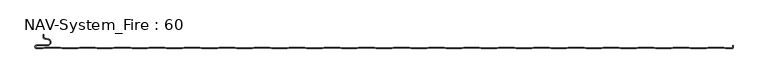
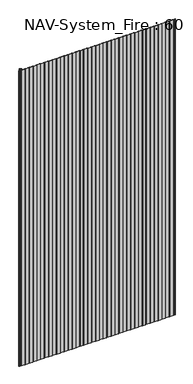
"""IFC4 building model written with IfcOpenShell, lengths in millimetres: plate geometry, NAV-System_Fire : 60."""

from ifc_helpers import new_model, si_unit, frame, origin, place, context, project, spatial, polyline, circle_curve, source, transform, mapped, element, save
from ifc_brep_helpers import plane_surface, cylinder_surface, revolved_surface, advanced_brep


def nav_system_fire_60_c45ef32b(model_context):
    return source(origin(), model_context, "Body", "AdvancedBrep", [
        advanced_brep(
        [(-488.8798221, -60.8, 2000.0), (-497.2500001, -60.8, 2000.0), (-497.2500001, -57.4000001, 2000.0), (-481.8502086, -57.4000001, 2000.0), (-480.9923864, -47.5950498, 2000.0), (-485.8625665, -46.7363054, 2000.0), (-487.3500004, -44.9636506, 2000.0), (-487.3500014, -41.6578709, 2000.0), (-488.1500014, -41.6578709, 2000.0), (-488.1500014, -44.9636516, 2000.0), (-486.0014853, -47.5241512, 2000.0), (-481.1313015, -48.382896, 2000.0), (-481.850205, -56.6000001, 2000.0), (-497.2500001, -56.6000001, 2000.0), (-497.2500001, -61.6, 2000.0), (-488.75, -61.6, 2000.0), (-485.75, -60.6, 2000.0), (-463.75, -60.6, 2000.0), (-460.75, -61.6, 2000.0), (-438.75, -61.6, 2000.0), (-435.75, -60.6, 2000.0), (-413.75, -60.6, 2000.0), (-410.75, -61.6, 2000.0), (-388.75, -61.6, 2000.0), (-385.75, -60.6, 2000.0), (-363.75, -60.6, 2000.0), (-360.75, -61.6, 2000.0), (-338.75, -61.6, 2000.0), (-335.75, -60.6, 2000.0), (-313.75, -60.6, 2000.0), (-310.75, -61.6, 2000.0), (-288.75, -61.6, 2000.0), (-285.75, -60.6, 2000.0), (-263.75, -60.6, 2000.0), (-260.75, -61.6, 2000.0), (-238.75, -61.6, 2000.0), (-235.75, -60.6, 2000.0), (-213.75, -60.6, 2000.0), (-210.75, -61.6, 2000.0), (-188.75, -61.6, 2000.0), (-185.75, -60.6, 2000.0), (-163.75, -60.6, 2000.0), (-160.75, -61.6, 2000.0), (-138.75, -61.6, 2000.0), (-135.75, -60.6, 2000.0), (-113.75, -60.6, 2000.0), (-110.75, -61.6, 2000.0), (-88.75, -61.6, 2000.0), (-85.75, -60.6, 2000.0), (-63.75, -60.6, 2000.0), (-60.75, -61.6, 2000.0), (-38.75, -61.6, 2000.0), (-35.75, -60.6, 2000.0), (-13.75, -60.6, 2000.0), (-10.75, -61.6, 2000.0), (11.25, -61.6, 2000.0), (14.25, -60.6, 2000.0), (36.25, -60.6, 2000.0), (39.25, -61.6, 2000.0), (61.25, -61.6, 2000.0), (64.25, -60.6, 2000.0), (86.25, -60.6, 2000.0), (89.25, -61.6, 2000.0), (111.25, -61.6, 2000.0), (114.25, -60.6, 2000.0), (136.25, -60.6, 2000.0), (139.25, -61.6, 2000.0), (161.25, -61.6, 2000.0), (164.25, -60.6, 2000.0), (186.25, -60.6, 2000.0), (189.25, -61.6, 2000.0), (211.25, -61.6, 2000.0), (214.25, -60.6, 2000.0), (236.25, -60.6, 2000.0), (239.25, -61.6, 2000.0), (261.25, -61.6, 2000.0), (264.25, -60.6, 2000.0), (286.25, -60.6, 2000.0), (289.25, -61.6, 2000.0), (311.25, -61.6, 2000.0), (314.25, -60.6, 2000.0), (336.25, -60.6, 2000.0), (339.25, -61.6, 2000.0), (361.25, -61.6, 2000.0), (364.25, -60.6, 2000.0), (386.25, -60.6, 2000.0), (389.25, -61.6, 2000.0), (411.25, -61.6, 2000.0), (414.25, -60.6, 2000.0), (436.25, -60.6, 2000.0), (439.25, -61.6, 2000.0), (461.25, -61.6, 2000.0), (464.25, -60.6, 2000.0), (486.25, -60.6, 2000.0), (489.25, -61.6, 2000.0), (498.2500007, -61.6, 2000.0), (499.75, -60.9228766, 2000.0), (499.75, -56.9390429, 2000.0), (499.4499998, -58.1999953, 2000.0), (499.4499998, -59.5978602, 2000.0), (498.2500017, -60.7999998, 2000.0), (489.3798221, -60.8, 2000.0), (486.3798221, -59.8, 2000.0), (464.1201779, -59.8, 2000.0), (461.1201779, -60.8, 2000.0), (439.3798221, -60.8, 2000.0), (436.3798221, -59.8, 2000.0), (414.1201779, -59.8, 2000.0), (411.1201779, -60.8, 2000.0), (389.3798221, -60.8, 2000.0), (386.3798221, -59.8, 2000.0), (364.1201779, -59.8, 2000.0), (361.1201779, -60.8, 2000.0), (339.3798221, -60.8, 2000.0), (336.3798221, -59.8, 2000.0), (314.1201779, -59.8, 2000.0), (311.1201779, -60.8, 2000.0), (289.3798221, -60.8, 2000.0), (286.3798221, -59.8, 2000.0), (264.1201779, -59.8, 2000.0), (261.1201779, -60.8, 2000.0), (239.3798221, -60.8, 2000.0), (236.3798221, -59.8, 2000.0), (214.1201779, -59.8, 2000.0), (211.1201779, -60.8, 2000.0), (189.3798221, -60.8, 2000.0), (186.3798221, -59.8, 2000.0), (164.1201779, -59.8, 2000.0), (161.1201779, -60.8, 2000.0), (139.3798221, -60.8, 2000.0), (136.3798221, -59.8, 2000.0), (114.1201779, -59.8, 2000.0), (111.1201779, -60.8, 2000.0), (89.3798221, -60.8, 2000.0), (86.3798221, -59.8, 2000.0), (64.1201779, -59.8, 2000.0), (61.1201779, -60.8, 2000.0), (39.3798221, -60.8, 2000.0), (36.3798221, -59.8, 2000.0), (14.1201779, -59.8, 2000.0), (11.1201779, -60.8, 2000.0), (-10.6201779, -60.8, 2000.0), (-13.6201779, -59.8, 2000.0), (-35.8798221, -59.8, 2000.0), (-38.8798221, -60.8, 2000.0), (-60.6201779, -60.8, 2000.0), (-63.6201779, -59.8, 2000.0), (-85.8798221, -59.8, 2000.0), (-88.8798221, -60.8, 2000.0), (-110.6201779, -60.8, 2000.0), (-113.6201779, -59.8, 2000.0), (-135.8798221, -59.8, 2000.0), (-138.8798221, -60.8, 2000.0), (-160.6201779, -60.8, 2000.0), (-163.6201779, -59.8, 2000.0), (-185.8798221, -59.8, 2000.0), (-188.8798221, -60.8, 2000.0), (-210.6201779, -60.8, 2000.0), (-213.6201779, -59.8, 2000.0), (-235.8798221, -59.8, 2000.0), (-238.8798221, -60.8, 2000.0), (-260.6201779, -60.8, 2000.0), (-263.6201779, -59.8, 2000.0), (-285.8798221, -59.8, 2000.0), (-288.8798221, -60.8, 2000.0), (-310.6201779, -60.8, 2000.0), (-313.6201779, -59.8, 2000.0), (-335.8798221, -59.8, 2000.0), (-338.8798221, -60.8, 2000.0), (-360.6201779, -60.8, 2000.0), (-363.6201779, -59.8, 2000.0), (-385.8798221, -59.8, 2000.0), (-388.8798221, -60.8, 2000.0), (-410.6201779, -60.8, 2000.0), (-413.6201779, -59.8, 2000.0), (-435.8798221, -59.8, 2000.0), (-438.8798221, -60.8, 2000.0), (-460.6201779, -60.8, 2000.0), (-463.6201779, -59.8, 2000.0), (-485.8798221, -59.8, 2000.0), (-488.8798221, -60.8, 0.0), (-485.8798221, -59.8, 0.0), (-463.6201779, -59.8, 0.0), (-460.6201779, -60.8, 0.0), (-438.8798221, -60.8, 0.0), (-435.8798221, -59.8, 0.0), (-413.6201779, -59.8, 0.0), (-410.6201779, -60.8, 0.0), (-388.8798221, -60.8, 0.0), (-385.8798221, -59.8, 0.0), (-363.6201779, -59.8, 0.0), (-360.6201779, -60.8, 0.0), (-338.8798221, -60.8, 0.0), (-335.8798221, -59.8, 0.0), (-313.6201779, -59.8, 0.0), (-310.6201779, -60.8, 0.0), (-288.8798221, -60.8, 0.0), (-285.8798221, -59.8, 0.0), (-263.6201779, -59.8, 0.0), (-260.6201779, -60.8, 0.0), (-238.8798221, -60.8, 0.0), (-235.8798221, -59.8, 0.0), (-213.6201779, -59.8, 0.0), (-210.6201779, -60.8, 0.0), (-188.8798221, -60.8, 0.0), (-185.8798221, -59.8, 0.0), (-163.6201779, -59.8, 0.0), (-160.6201779, -60.8, 0.0), (-138.8798221, -60.8, 0.0), (-135.8798221, -59.8, 0.0), (-113.6201779, -59.8, 0.0), (-110.6201779, -60.8, 0.0), (-88.8798221, -60.8, 0.0), (-85.8798221, -59.8, 0.0), (-63.6201779, -59.8, 0.0), (-60.6201779, -60.8, 0.0), (-38.8798221, -60.8, 0.0), (-35.8798221, -59.8, 0.0), (-13.6201779, -59.8, 0.0), (-10.6201779, -60.8, 0.0), (11.1201779, -60.8, 0.0), (14.1201779, -59.8, 0.0), (36.3798221, -59.8, 0.0), (39.3798221, -60.8, 0.0), (61.1201779, -60.8, 0.0), (64.1201779, -59.8, 0.0), (86.3798221, -59.8, 0.0), (89.3798221, -60.8, 0.0), (111.1201779, -60.8, 0.0), (114.1201779, -59.8, 0.0), (136.3798221, -59.8, 0.0), (139.3798221, -60.8, 0.0), (161.1201779, -60.8, 0.0), (164.1201779, -59.8, 0.0), (186.3798221, -59.8, 0.0), (189.3798221, -60.8, 0.0), (211.1201779, -60.8, 0.0), (214.1201779, -59.8, 0.0), (236.3798221, -59.8, 0.0), (239.3798221, -60.8, 0.0), (261.1201779, -60.8, 0.0), (264.1201779, -59.8, 0.0), (286.3798221, -59.8, 0.0), (289.3798221, -60.8, 0.0), (311.1201779, -60.8, 0.0), (314.1201779, -59.8, 0.0), (336.3798221, -59.8, 0.0), (339.3798221, -60.8, 0.0), (361.1201779, -60.8, 0.0), (364.1201779, -59.8, 0.0), (386.3798221, -59.8, 0.0), (389.3798221, -60.8, 0.0), (411.1201779, -60.8, 0.0), (414.1201779, -59.8, 0.0), (436.3798221, -59.8, 0.0), (439.3798221, -60.8, 0.0), (461.1201779, -60.8, 0.0), (464.1201779, -59.8, 0.0), (486.3798221, -59.8, 0.0), (489.3798221, -60.8, 0.0), (498.2500017, -60.8, 0.0), (499.4499998, -59.5978602, 0.0), (499.4499998, -58.1999953, 0.0), (499.75, -56.9390429, 0.0), (499.75, -60.9228766, 0.0), (498.2500007, -61.6, 0.0), (489.25, -61.6, 0.0), (486.25, -60.6, 0.0), (464.25, -60.6, 0.0), (461.25, -61.6, 0.0), (439.25, -61.6, 0.0), (436.25, -60.6, 0.0), (414.25, -60.6, 0.0), (411.25, -61.6, 0.0), (389.25, -61.6, 0.0), (386.25, -60.6, 0.0), (364.25, -60.6, 0.0), (361.25, -61.6, 0.0), (339.25, -61.6, 0.0), (336.25, -60.6, 0.0), (314.25, -60.6, 0.0), (311.25, -61.6, 0.0), (289.25, -61.6, 0.0), (286.25, -60.6, 0.0), (264.25, -60.6, 0.0), (261.25, -61.6, 0.0), (239.25, -61.6, 0.0), (236.25, -60.6, 0.0), (214.25, -60.6, 0.0), (211.25, -61.6, 0.0), (189.25, -61.6, 0.0), (186.25, -60.6, 0.0), (164.25, -60.6, 0.0), (161.25, -61.6, 0.0), (139.25, -61.6, 0.0), (136.25, -60.6, 0.0), (114.25, -60.6, 0.0), (111.25, -61.6, 0.0), (89.25, -61.6, 0.0), (86.25, -60.6, 0.0), (64.25, -60.6, 0.0), (61.25, -61.6, 0.0), (39.25, -61.6, 0.0), (36.25, -60.6, 0.0), (14.25, -60.6, 0.0), (11.25, -61.6, 0.0), (-10.75, -61.6, 0.0), (-13.75, -60.6, 0.0), (-35.75, -60.6, 0.0), (-38.75, -61.6, 0.0), (-60.75, -61.6, 0.0), (-63.75, -60.6, 0.0), (-85.75, -60.6, 0.0), (-88.75, -61.6, 0.0), (-110.75, -61.6, 0.0), (-113.75, -60.6, 0.0), (-135.75, -60.6, 0.0), (-138.75, -61.6, 0.0), (-160.75, -61.6, 0.0), (-163.75, -60.6, 0.0), (-185.75, -60.6, 0.0), (-188.75, -61.6, 0.0), (-210.75, -61.6, 0.0), (-213.75, -60.6, 0.0), (-235.75, -60.6, 0.0), (-238.75, -61.6, 0.0), (-260.75, -61.6, 0.0), (-263.75, -60.6, 0.0), (-285.75, -60.6, 0.0), (-288.75, -61.6, 0.0), (-310.75, -61.6, 0.0), (-313.75, -60.6, 0.0), (-335.75, -60.6, 0.0), (-338.75, -61.6, 0.0), (-360.75, -61.6, 0.0), (-363.75, -60.6, 0.0), (-385.75, -60.6, 0.0), (-388.75, -61.6, 0.0), (-410.75, -61.6, 0.0), (-413.75, -60.6, 0.0), (-435.75, -60.6, 0.0), (-438.75, -61.6, 0.0), (-460.75, -61.6, 0.0), (-463.75, -60.6, 0.0), (-485.75, -60.6, 0.0), (-488.75, -61.6, 0.0), (-497.2500001, -61.6, 0.0), (-497.2500001, -56.6000001, 0.0), (-481.850205, -56.6000001, 0.0), (-481.1313015, -48.382896, 0.0), (-486.0014853, -47.5241512, 0.0), (-488.1499997, -44.9636516, 0.0), (-488.1500014, -41.6578709, 0.0), (-487.3500014, -41.6578709, 0.0), (-487.3500014, -44.9636506, 0.0), (-485.8625665, -46.7363054, 0.0), (-480.9923864, -47.5950498, 0.0), (-481.8502086, -57.4000001, 0.0), (-497.2500001, -57.4000001, 0.0), (-497.2500001, -60.7999998, 0.0)],
        [
            (0, 1),
            (1, 2, circle_curve(frame((-497.2500001, -59.1, 2000.0), z_axis=(0.0, 0.0, -1.0), x_axis=(1.0, 0.0, 0.0)), 1.6999999)),
            (2, 3),
            (3, 4, circle_curve(frame((-481.8502086, -52.4600001, 2000.0), z_axis=(0.0, 0.0, 1.0), x_axis=(1.0, 0.0, 0.0)), 4.94)),
            (4, 5),
            (5, 6, circle_curve(frame((-485.5499995, -44.9636506, 2000.0), z_axis=(0.0, 0.0, -1.0), x_axis=(1.0, 0.0, 0.0)), 1.8000009)),
            (6, 7),
            (7, 8),
            (8, 9),
            (9, 10, circle_curve(frame((-485.5500002, -44.9636516, 2000.0), z_axis=(0.0, 0.0, 1.0), x_axis=(1.0, 0.0, 0.0)), 2.5999995)),
            (10, 11),
            (11, 12, circle_curve(frame((-481.850205, -52.4600001, 2000.0), z_axis=(0.0, 0.0, -1.0), x_axis=(1.0, 0.0, 0.0)), 4.14)),
            (12, 13),
            (13, 14, circle_curve(frame((-497.2500001, -59.1000001, 2000.0), z_axis=(0.0, 0.0, 1.0), x_axis=(1.0, 0.0, 0.0)), 2.4999999)),
            (14, 15),
            (15, 16),
            (16, 17),
            (17, 18),
            (18, 19),
            (19, 20),
            (20, 21),
            (21, 22),
            (22, 23),
            (23, 24),
            (24, 25),
            (25, 26),
            (26, 27),
            (27, 28),
            (28, 29),
            (29, 30),
            (30, 31),
            (31, 32),
            (32, 33),
            (33, 34),
            (34, 35),
            (35, 36),
            (36, 37),
            (37, 38),
            (38, 39),
            (39, 40),
            (40, 41),
            (41, 42),
            (42, 43),
            (43, 44),
            (44, 45),
            (45, 46),
            (46, 47),
            (47, 48),
            (48, 49),
            (49, 50),
            (50, 51),
            (51, 52),
            (52, 53),
            (53, 54),
            (54, 55),
            (55, 56),
            (56, 57),
            (57, 58),
            (58, 59),
            (59, 60),
            (60, 61),
            (61, 62),
            (62, 63),
            (63, 64),
            (64, 65),
            (65, 66),
            (66, 67),
            (67, 68),
            (68, 69),
            (69, 70),
            (70, 71),
            (71, 72),
            (72, 73),
            (73, 74),
            (74, 75),
            (75, 76),
            (76, 77),
            (77, 78),
            (78, 79),
            (79, 80),
            (80, 81),
            (81, 82),
            (82, 83),
            (83, 84),
            (84, 85),
            (85, 86),
            (86, 87),
            (87, 88),
            (88, 89),
            (89, 90),
            (90, 91),
            (91, 92),
            (92, 93),
            (93, 94),
            (94, 95),
            (95, 96, circle_curve(frame((498.2500007, -59.5999998, 2000.0), z_axis=(0.0, 0.0, 1.0), x_axis=(1.0, 0.0, 0.0)), 2.0000002)),
            (96, 97),
            (97, 98, circle_curve(frame((502.2499995, -58.1999953, 2000.0), z_axis=(0.0, 0.0, 1.0), x_axis=(1.0, 0.0, 0.0)), 2.7999997)),
            (98, 99),
            (99, 100, circle_curve(frame((498.2500017, -59.5999998, 2000.0), z_axis=(0.0, 0.0, -1.0), x_axis=(1.0, 0.0, 0.0)), 1.2)),
            (100, 101),
            (101, 102),
            (102, 103),
            (103, 104),
            (104, 105),
            (105, 106),
            (106, 107),
            (107, 108),
            (108, 109),
            (109, 110),
            (110, 111),
            (111, 112),
            (112, 113),
            (113, 114),
            (114, 115),
            (115, 116),
            (116, 117),
            (117, 118),
            (118, 119),
            (119, 120),
            (120, 121),
            (121, 122),
            (122, 123),
            (123, 124),
            (124, 125),
            (125, 126),
            (126, 127),
            (127, 128),
            (128, 129),
            (129, 130),
            (130, 131),
            (131, 132),
            (132, 133),
            (133, 134),
            (134, 135),
            (135, 136),
            (136, 137),
            (137, 138),
            (138, 139),
            (139, 140),
            (140, 141),
            (141, 142),
            (142, 143),
            (143, 144),
            (144, 145),
            (145, 146),
            (146, 147),
            (147, 148),
            (148, 149),
            (149, 150),
            (150, 151),
            (151, 152),
            (152, 153),
            (153, 154),
            (154, 155),
            (155, 156),
            (156, 157),
            (157, 158),
            (158, 159),
            (159, 160),
            (160, 161),
            (161, 162),
            (162, 163),
            (163, 164),
            (164, 165),
            (165, 166),
            (166, 167),
            (167, 168),
            (168, 169),
            (169, 170),
            (170, 171),
            (171, 172),
            (172, 173),
            (173, 174),
            (174, 175),
            (175, 176),
            (176, 177),
            (177, 178),
            (178, 179),
            (179, 0),
            (180, 181),
            (181, 182),
            (182, 183),
            (183, 184),
            (184, 185),
            (185, 186),
            (186, 187),
            (187, 188),
            (188, 189),
            (189, 190),
            (190, 191),
            (191, 192),
            (192, 193),
            (193, 194),
            (194, 195),
            (195, 196),
            (196, 197),
            (197, 198),
            (198, 199),
            (199, 200),
            (200, 201),
            (201, 202),
            (202, 203),
            (203, 204),
            (204, 205),
            (205, 206),
            (206, 207),
            (207, 208),
            (208, 209),
            (209, 210),
            (210, 211),
            (211, 212),
            (212, 213),
            (213, 214),
            (214, 215),
            (215, 216),
            (216, 217),
            (217, 218),
            (218, 219),
            (219, 220),
            (220, 221),
            (221, 222),
            (222, 223),
            (223, 224),
            (224, 225),
            (225, 226),
            (226, 227),
            (227, 228),
            (228, 229),
            (229, 230),
            (230, 231),
            (231, 232),
            (232, 233),
            (233, 234),
            (234, 235),
            (235, 236),
            (236, 237),
            (237, 238),
            (238, 239),
            (239, 240),
            (240, 241),
            (241, 242),
            (242, 243),
            (243, 244),
            (244, 245),
            (245, 246),
            (246, 247),
            (247, 248),
            (248, 249),
            (249, 250),
            (250, 251),
            (251, 252),
            (252, 253),
            (253, 254),
            (254, 255),
            (255, 256),
            (256, 257),
            (257, 258),
            (258, 259),
            (259, 260),
            (260, 261, circle_curve(frame((498.2500017, -59.5999998, 0.0), z_axis=(0.0, 0.0, 1.0), x_axis=(1.0, 0.0, 0.0)), 1.2)),
            (261, 262),
            (262, 263, circle_curve(frame((502.2499995, -58.1999953, 0.0), z_axis=(0.0, 0.0, -1.0), x_axis=(1.0, 0.0, 0.0)), 2.7999997)),
            (263, 264),
            (264, 265, circle_curve(frame((498.2500007, -59.5999998, 0.0), z_axis=(0.0, 0.0, -1.0), x_axis=(1.0, 0.0, 0.0)), 2.0000002)),
            (265, 266),
            (266, 267),
            (267, 268),
            (268, 269),
            (269, 270),
            (270, 271),
            (271, 272),
            (272, 273),
            (273, 274),
            (274, 275),
            (275, 276),
            (276, 277),
            (277, 278),
            (278, 279),
            (279, 280),
            (280, 281),
            (281, 282),
            (282, 283),
            (283, 284),
            (284, 285),
            (285, 286),
            (286, 287),
            (287, 288),
            (288, 289),
            (289, 290),
            (290, 291),
            (291, 292),
            (292, 293),
            (293, 294),
            (294, 295),
            (295, 296),
            (296, 297),
            (297, 298),
            (298, 299),
            (299, 300),
            (300, 301),
            (301, 302),
            (302, 303),
            (303, 304),
            (304, 305),
            (305, 306),
            (306, 307),
            (307, 308),
            (308, 309),
            (309, 310),
            (310, 311),
            (311, 312),
            (312, 313),
            (313, 314),
            (314, 315),
            (315, 316),
            (316, 317),
            (317, 318),
            (318, 319),
            (319, 320),
            (320, 321),
            (321, 322),
            (322, 323),
            (323, 324),
            (324, 325),
            (325, 326),
            (326, 327),
            (327, 328),
            (328, 329),
            (329, 330),
            (330, 331),
            (331, 332),
            (332, 333),
            (333, 334),
            (334, 335),
            (335, 336),
            (336, 337),
            (337, 338),
            (338, 339),
            (339, 340),
            (340, 341),
            (341, 342),
            (342, 343),
            (343, 344),
            (344, 345),
            (345, 346),
            (346, 347, circle_curve(frame((-497.2500001, -59.1000001, 0.0), z_axis=(0.0, 0.0, -1.0), x_axis=(1.0, 0.0, 0.0)), 2.4999999)),
            (347, 348),
            (348, 349, circle_curve(frame((-481.850205, -52.4600001, 0.0), z_axis=(0.0, 0.0, 1.0), x_axis=(1.0, 0.0, 0.0)), 4.14)),
            (349, 350),
            (350, 351, circle_curve(frame((-485.5500002, -44.9636516, 0.0), z_axis=(0.0, 0.0, -1.0), x_axis=(1.0, 0.0, 0.0)), 2.5999995)),
            (351, 352),
            (352, 353),
            (353, 354),
            (354, 355, circle_curve(frame((-485.5499995, -44.9636506, 0.0), z_axis=(0.0, 0.0, 1.0), x_axis=(1.0, 0.0, 0.0)), 1.8000009)),
            (355, 356),
            (356, 357, circle_curve(frame((-481.8502086, -52.4600001, 0.0), z_axis=(0.0, 0.0, -1.0), x_axis=(1.0, 0.0, 0.0)), 4.94)),
            (357, 358),
            (358, 359, circle_curve(frame((-497.2500001, -59.1, 0.0), z_axis=(0.0, 0.0, 1.0), x_axis=(1.0, 0.0, 0.0)), 1.6999999)),
            (359, 180),
            (14, 346),
            (345, 15),
            (0, 180),
            (359, 1),
            (100, 260),
            (259, 101),
            (258, 102),
            (257, 103),
            (256, 104),
            (255, 105),
            (254, 106),
            (253, 107),
            (252, 108),
            (251, 109),
            (250, 110),
            (249, 111),
            (248, 112),
            (247, 113),
            (246, 114),
            (245, 115),
            (244, 116),
            (243, 117),
            (242, 118),
            (241, 119),
            (240, 120),
            (239, 121),
            (238, 122),
            (237, 123),
            (236, 124),
            (235, 125),
            (234, 126),
            (233, 127),
            (232, 128),
            (231, 129),
            (230, 130),
            (229, 131),
            (228, 132),
            (227, 133),
            (226, 134),
            (225, 135),
            (224, 136),
            (223, 137),
            (222, 138),
            (221, 139),
            (220, 140),
            (219, 141),
            (218, 142),
            (217, 143),
            (216, 144),
            (215, 145),
            (214, 146),
            (213, 147),
            (212, 148),
            (211, 149),
            (210, 150),
            (209, 151),
            (208, 152),
            (207, 153),
            (206, 154),
            (205, 155),
            (204, 156),
            (203, 157),
            (202, 158),
            (201, 159),
            (200, 160),
            (199, 161),
            (198, 162),
            (197, 163),
            (196, 164),
            (195, 165),
            (194, 166),
            (193, 167),
            (192, 168),
            (191, 169),
            (190, 170),
            (189, 171),
            (188, 172),
            (187, 173),
            (186, 174),
            (185, 175),
            (184, 176),
            (183, 177),
            (182, 178),
            (181, 179),
            (344, 16),
            (343, 17),
            (342, 18),
            (341, 19),
            (340, 20),
            (339, 21),
            (338, 22),
            (337, 23),
            (336, 24),
            (335, 25),
            (334, 26),
            (333, 27),
            (332, 28),
            (331, 29),
            (330, 30),
            (329, 31),
            (328, 32),
            (327, 33),
            (326, 34),
            (325, 35),
            (324, 36),
            (323, 37),
            (322, 38),
            (321, 39),
            (320, 40),
            (319, 41),
            (318, 42),
            (317, 43),
            (316, 44),
            (315, 45),
            (314, 46),
            (313, 47),
            (312, 48),
            (311, 49),
            (310, 50),
            (309, 51),
            (308, 52),
            (307, 53),
            (306, 54),
            (305, 55),
            (304, 56),
            (303, 57),
            (302, 58),
            (301, 59),
            (300, 60),
            (299, 61),
            (298, 62),
            (297, 63),
            (296, 64),
            (295, 65),
            (294, 66),
            (293, 67),
            (292, 68),
            (291, 69),
            (290, 70),
            (289, 71),
            (288, 72),
            (287, 73),
            (286, 74),
            (285, 75),
            (284, 76),
            (283, 77),
            (282, 78),
            (281, 79),
            (280, 80),
            (279, 81),
            (278, 82),
            (277, 83),
            (276, 84),
            (275, 85),
            (274, 86),
            (273, 87),
            (272, 88),
            (271, 89),
            (270, 90),
            (269, 91),
            (268, 92),
            (267, 93),
            (266, 94),
            (265, 95),
            (2, 358),
            (357, 3),
            (6, 354),
            (353, 7),
            (352, 8),
            (351, 9),
            (12, 348),
            (347, 13),
            (356, 4),
            (355, 5),
            (350, 10),
            (349, 11),
            (264, 96),
            (262, 98),
            (97, 263),
            (261, 99),
        ],
        [
            plane_surface(frame((-499.75, -61.6, 2000.0), z_axis=(0.0, 0.0, 1.0), x_axis=(-1.0, 0.0, 0.0))),
            plane_surface(frame((-499.75, -61.6, 0.0), z_axis=(0.0, 0.0, -1.0), x_axis=(-1.0, 0.0, 0.0))),
            plane_surface(frame((-497.2500001, -61.6, 2000.0), z_axis=(0.0, -1.0, 0.0), x_axis=(0.0, 0.0, -1.0))),
            plane_surface(frame((-488.8798221, -60.8, 2000.0), z_axis=(0.0, 1.0, 0.0), x_axis=(0.0, 0.0, -1.0))),
            plane_surface(frame((498.2500017, -60.8, 2000.0), z_axis=(0.0, 1.0, 0.0), x_axis=(0.0, 0.0, -1.0))),
            plane_surface(frame((489.3798221, -60.8, 2000.0), z_axis=(0.31622776601669583, 0.9486832980505612, 0.0), x_axis=(0.0, 0.0, -1.0))),
            plane_surface(frame((486.3798221, -59.8, 2000.0), z_axis=(0.0, 1.0, 0.0), x_axis=(0.0, 0.0, -1.0))),
            plane_surface(frame((464.1201779, -59.8, 2000.0), z_axis=(-0.31622776601680463, 0.948683298050525, 0.0), x_axis=(0.0, 0.0, -1.0))),
            plane_surface(frame((461.1201779, -60.8, 2000.0), z_axis=(0.0, 1.0, 0.0), x_axis=(0.0, 0.0, -1.0))),
            plane_surface(frame((439.3798221, -60.8, 2000.0), z_axis=(0.3162277660167412, 0.9486832980505461, 0.0), x_axis=(0.0, 0.0, -1.0))),
            plane_surface(frame((436.3798221, -59.8, 2000.0), z_axis=(0.0, 1.0, 0.0), x_axis=(0.0, 0.0, -1.0))),
            plane_surface(frame((414.1201779, -59.8, 2000.0), z_axis=(-0.3162277660167537, 0.948683298050542, 0.0), x_axis=(0.0, 0.0, -1.0))),
            plane_surface(frame((411.1201779, -60.8, 2000.0), z_axis=(0.0, 1.0, 0.0), x_axis=(0.0, 0.0, -1.0))),
            plane_surface(frame((389.3798221, -60.8, 2000.0), z_axis=(0.31622776601679214, 0.9486832980505291, 0.0), x_axis=(0.0, 0.0, -1.0))),
            plane_surface(frame((386.3798221, -59.8, 2000.0), z_axis=(0.0, 1.0, 0.0), x_axis=(0.0, 0.0, -1.0))),
            plane_surface(frame((364.1201779, -59.8, 2000.0), z_axis=(-0.31622776601680463, 0.948683298050525, 0.0), x_axis=(0.0, 0.0, -1.0))),
            plane_surface(frame((361.1201779, -60.8, 2000.0), z_axis=(0.0, 1.0, 0.0), x_axis=(0.0, 0.0, -1.0))),
            plane_surface(frame((339.3798221, -60.8, 2000.0), z_axis=(0.3162277660167412, 0.9486832980505461, 0.0), x_axis=(0.0, 0.0, -1.0))),
            plane_surface(frame((336.3798221, -59.8, 2000.0), z_axis=(0.0, 1.0, 0.0), x_axis=(0.0, 0.0, -1.0))),
            plane_surface(frame((314.1201779, -59.8, 2000.0), z_axis=(-0.3162277660167537, 0.948683298050542, 0.0), x_axis=(0.0, 0.0, -1.0))),
            plane_surface(frame((311.1201779, -60.8, 2000.0), z_axis=(0.0, 1.0, 0.0), x_axis=(0.0, 0.0, -1.0))),
            plane_surface(frame((289.3798221, -60.8, 2000.0), z_axis=(0.31622776601679214, 0.9486832980505291, 0.0), x_axis=(0.0, 0.0, -1.0))),
            plane_surface(frame((286.3798221, -59.8, 2000.0), z_axis=(0.0, 1.0, 0.0), x_axis=(0.0, 0.0, -1.0))),
            plane_surface(frame((264.1201779, -59.8, 2000.0), z_axis=(-0.31622776601680463, 0.948683298050525, 0.0), x_axis=(0.0, 0.0, -1.0))),
            plane_surface(frame((261.1201779, -60.8, 2000.0), z_axis=(0.0, 1.0, 0.0), x_axis=(0.0, 0.0, -1.0))),
            plane_surface(frame((239.3798221, -60.8, 2000.0), z_axis=(0.3162277660167412, 0.9486832980505461, 0.0), x_axis=(0.0, 0.0, -1.0))),
            plane_surface(frame((236.3798221, -59.8, 2000.0), z_axis=(0.0, 1.0, 0.0), x_axis=(0.0, 0.0, -1.0))),
            plane_surface(frame((214.1201779, -59.8, 2000.0), z_axis=(-0.3162277660167537, 0.948683298050542, 0.0), x_axis=(0.0, 0.0, -1.0))),
            plane_surface(frame((211.1201779, -60.8, 2000.0), z_axis=(0.0, 1.0, 0.0), x_axis=(0.0, 0.0, -1.0))),
            plane_surface(frame((189.3798221, -60.8, 2000.0), z_axis=(0.31622776601679214, 0.9486832980505291, 0.0), x_axis=(0.0, 0.0, -1.0))),
            plane_surface(frame((186.3798221, -59.8, 2000.0), z_axis=(0.0, 1.0, 0.0), x_axis=(0.0, 0.0, -1.0))),
            plane_surface(frame((164.1201779, -59.8, 2000.0), z_axis=(-0.31622776601680463, 0.948683298050525, 0.0), x_axis=(0.0, 0.0, -1.0))),
            plane_surface(frame((161.1201779, -60.8, 2000.0), z_axis=(0.0, 1.0, 0.0), x_axis=(0.0, 0.0, -1.0))),
            plane_surface(frame((139.3798221, -60.8, 2000.0), z_axis=(0.3162277660167412, 0.9486832980505461, 0.0), x_axis=(0.0, 0.0, -1.0))),
            plane_surface(frame((136.3798221, -59.8, 2000.0), z_axis=(0.0, 1.0, 0.0), x_axis=(0.0, 0.0, -1.0))),
            plane_surface(frame((114.1201779, -59.8, 2000.0), z_axis=(-0.3162277660167537, 0.948683298050542, 0.0), x_axis=(0.0, 0.0, -1.0))),
            plane_surface(frame((111.1201779, -60.8, 2000.0), z_axis=(0.0, 1.0, 0.0), x_axis=(0.0, 0.0, -1.0))),
            plane_surface(frame((89.3798221, -60.8, 2000.0), z_axis=(0.3162277660167412, 0.9486832980505461, 0.0), x_axis=(0.0, 0.0, -1.0))),
            plane_surface(frame((86.3798221, -59.8, 2000.0), z_axis=(0.0, 1.0, 0.0), x_axis=(0.0, 0.0, -1.0))),
            plane_surface(frame((64.1201779, -59.8, 2000.0), z_axis=(-0.3162277660167537, 0.948683298050542, 0.0), x_axis=(0.0, 0.0, -1.0))),
            plane_surface(frame((61.1201779, -60.8, 2000.0), z_axis=(0.0, 1.0, 0.0), x_axis=(0.0, 0.0, -1.0))),
            plane_surface(frame((39.3798221, -60.8, 2000.0), z_axis=(0.31622776601679214, 0.9486832980505291, 0.0), x_axis=(0.0, 0.0, -1.0))),
            plane_surface(frame((36.3798221, -59.8, 2000.0), z_axis=(0.0, 1.0, 0.0), x_axis=(0.0, 0.0, -1.0))),
            plane_surface(frame((14.1201779, -59.8, 2000.0), z_axis=(-0.31622776601680463, 0.948683298050525, 0.0), x_axis=(0.0, 0.0, -1.0))),
            plane_surface(frame((11.1201779, -60.8, 2000.0), z_axis=(0.0, 1.0, 0.0), x_axis=(0.0, 0.0, -1.0))),
            plane_surface(frame((-10.6201779, -60.8, 2000.0), z_axis=(0.3162277660167412, 0.9486832980505461, 0.0), x_axis=(0.0, 0.0, -1.0))),
            plane_surface(frame((-13.6201779, -59.8, 2000.0), z_axis=(0.0, 1.0, 0.0), x_axis=(0.0, 0.0, -1.0))),
            plane_surface(frame((-35.8798221, -59.8, 2000.0), z_axis=(-0.3162277660167537, 0.948683298050542, 0.0), x_axis=(0.0, 0.0, -1.0))),
            plane_surface(frame((-38.8798221, -60.8, 2000.0), z_axis=(0.0, 1.0, 0.0), x_axis=(0.0, 0.0, -1.0))),
            plane_surface(frame((-60.6201779, -60.8, 2000.0), z_axis=(0.31622776601679214, 0.9486832980505291, 0.0), x_axis=(0.0, 0.0, -1.0))),
            plane_surface(frame((-63.6201779, -59.8, 2000.0), z_axis=(0.0, 1.0, 0.0), x_axis=(0.0, 0.0, -1.0))),
            plane_surface(frame((-85.8798221, -59.8, 2000.0), z_axis=(-0.31622776601680463, 0.948683298050525, 0.0), x_axis=(0.0, 0.0, -1.0))),
            plane_surface(frame((-88.8798221, -60.8, 2000.0), z_axis=(0.0, 1.0, 0.0), x_axis=(0.0, 0.0, -1.0))),
            plane_surface(frame((-110.6201779, -60.8, 2000.0), z_axis=(0.3162277660167412, 0.9486832980505461, 0.0), x_axis=(0.0, 0.0, -1.0))),
            plane_surface(frame((-113.6201779, -59.8, 2000.0), z_axis=(0.0, 1.0, 0.0), x_axis=(0.0, 0.0, -1.0))),
            plane_surface(frame((-135.8798221, -59.8, 2000.0), z_axis=(-0.3162277660167537, 0.948683298050542, 0.0), x_axis=(0.0, 0.0, -1.0))),
            plane_surface(frame((-138.8798221, -60.8, 2000.0), z_axis=(0.0, 1.0, 0.0), x_axis=(0.0, 0.0, -1.0))),
            plane_surface(frame((-160.6201779, -60.8, 2000.0), z_axis=(0.31622776601679214, 0.9486832980505291, 0.0), x_axis=(0.0, 0.0, -1.0))),
            plane_surface(frame((-163.6201779, -59.8, 2000.0), z_axis=(0.0, 1.0, 0.0), x_axis=(0.0, 0.0, -1.0))),
            plane_surface(frame((-185.8798221, -59.8, 2000.0), z_axis=(-0.3162277660168057, 0.9486832980505246, 0.0), x_axis=(0.0, 0.0, -1.0))),
            plane_surface(frame((-188.8798221, -60.8, 2000.0), z_axis=(0.0, 1.0, 0.0), x_axis=(0.0, 0.0, -1.0))),
            plane_surface(frame((-210.6201779, -60.8, 2000.0), z_axis=(0.3162277660167412, 0.9486832980505461, 0.0), x_axis=(0.0, 0.0, -1.0))),
            plane_surface(frame((-213.6201779, -59.8, 2000.0), z_axis=(0.0, 1.0, 0.0), x_axis=(0.0, 0.0, -1.0))),
            plane_surface(frame((-235.8798221, -59.8, 2000.0), z_axis=(-0.3162277660167537, 0.948683298050542, 0.0), x_axis=(0.0, 0.0, -1.0))),
            plane_surface(frame((-238.8798221, -60.8, 2000.0), z_axis=(0.0, 1.0, 0.0), x_axis=(0.0, 0.0, -1.0))),
            plane_surface(frame((-260.6201779, -60.8, 2000.0), z_axis=(0.31622776601679214, 0.9486832980505291, 0.0), x_axis=(0.0, 0.0, -1.0))),
            plane_surface(frame((-263.6201779, -59.8, 2000.0), z_axis=(0.0, 1.0, 0.0), x_axis=(0.0, 0.0, -1.0))),
            plane_surface(frame((-285.8798221, -59.8, 2000.0), z_axis=(-0.31622776601680463, 0.948683298050525, 0.0), x_axis=(0.0, 0.0, -1.0))),
            plane_surface(frame((-288.8798221, -60.8, 2000.0), z_axis=(0.0, 1.0, 0.0), x_axis=(0.0, 0.0, -1.0))),
            plane_surface(frame((-310.6201779, -60.8, 2000.0), z_axis=(0.3162277660167412, 0.9486832980505461, 0.0), x_axis=(0.0, 0.0, -1.0))),
            plane_surface(frame((-313.6201779, -59.8, 2000.0), z_axis=(0.0, 1.0, 0.0), x_axis=(0.0, 0.0, -1.0))),
            plane_surface(frame((-335.8798221, -59.8, 2000.0), z_axis=(-0.3162277660167537, 0.948683298050542, 0.0), x_axis=(0.0, 0.0, -1.0))),
            plane_surface(frame((-338.8798221, -60.8, 2000.0), z_axis=(0.0, 1.0, 0.0), x_axis=(0.0, 0.0, -1.0))),
            plane_surface(frame((-360.6201779, -60.8, 2000.0), z_axis=(0.31622776601679214, 0.9486832980505291, 0.0), x_axis=(0.0, 0.0, -1.0))),
            plane_surface(frame((-363.6201779, -59.8, 2000.0), z_axis=(0.0, 1.0, 0.0), x_axis=(0.0, 0.0, -1.0))),
            plane_surface(frame((-385.8798221, -59.8, 2000.0), z_axis=(-0.31622776601680463, 0.948683298050525, 0.0), x_axis=(0.0, 0.0, -1.0))),
            plane_surface(frame((-388.8798221, -60.8, 2000.0), z_axis=(0.0, 1.0, 0.0), x_axis=(0.0, 0.0, -1.0))),
            plane_surface(frame((-410.6201779, -60.8, 2000.0), z_axis=(0.31622776601679214, 0.9486832980505291, 0.0), x_axis=(0.0, 0.0, -1.0))),
            plane_surface(frame((-413.6201779, -59.8, 2000.0), z_axis=(0.0, 1.0, 0.0), x_axis=(0.0, 0.0, -1.0))),
            plane_surface(frame((-435.8798221, -59.8, 2000.0), z_axis=(-0.31622776601680463, 0.948683298050525, 0.0), x_axis=(0.0, 0.0, -1.0))),
            plane_surface(frame((-438.8798221, -60.8, 2000.0), z_axis=(0.0, 1.0, 0.0), x_axis=(0.0, 0.0, -1.0))),
            plane_surface(frame((-460.6201779, -60.8, 2000.0), z_axis=(0.3162277660167412, 0.9486832980505461, 0.0), x_axis=(0.0, 0.0, -1.0))),
            plane_surface(frame((-463.6201779, -59.8, 2000.0), z_axis=(0.0, 1.0, 0.0), x_axis=(0.0, 0.0, -1.0))),
            plane_surface(frame((-485.8798221, -59.8, 2000.0), z_axis=(-0.3162277660167414, 0.9486832980505461, 0.0), x_axis=(0.0, 0.0, -1.0))),
            plane_surface(frame((-488.75, -61.6, 2000.0), z_axis=(0.31622776601671876, -0.9486832980505536, 0.0), x_axis=(0.0, 0.0, -1.0))),
            plane_surface(frame((-485.75, -60.6, 2000.0), z_axis=(0.0, -1.0, 0.0), x_axis=(0.0, 0.0, -1.0))),
            plane_surface(frame((-463.75, -60.6, 2000.0), z_axis=(-0.31622776601671854, -0.9486832980505536, 0.0), x_axis=(0.0, 0.0, -1.0))),
            plane_surface(frame((-460.75, -61.6, 2000.0), z_axis=(0.0, -1.0, 0.0), x_axis=(0.0, 0.0, -1.0))),
            plane_surface(frame((-438.75, -61.6, 2000.0), z_axis=(0.31622776601678765, -0.9486832980505306, 0.0), x_axis=(0.0, 0.0, -1.0))),
            plane_surface(frame((-435.75, -60.6, 2000.0), z_axis=(0.0, -1.0, 0.0), x_axis=(0.0, 0.0, -1.0))),
            plane_surface(frame((-413.75, -60.6, 2000.0), z_axis=(-0.3162277660167751, -0.9486832980505348, 0.0), x_axis=(0.0, 0.0, -1.0))),
            plane_surface(frame((-410.75, -61.6, 2000.0), z_axis=(0.0, -1.0, 0.0), x_axis=(0.0, 0.0, -1.0))),
            plane_surface(frame((-388.75, -61.6, 2000.0), z_axis=(0.31622776601678765, -0.9486832980505306, 0.0), x_axis=(0.0, 0.0, -1.0))),
            plane_surface(frame((-385.75, -60.6, 2000.0), z_axis=(0.0, -1.0, 0.0), x_axis=(0.0, 0.0, -1.0))),
            plane_surface(frame((-363.75, -60.6, 2000.0), z_axis=(-0.3162277660167751, -0.9486832980505348, 0.0), x_axis=(0.0, 0.0, -1.0))),
            plane_surface(frame((-360.75, -61.6, 2000.0), z_axis=(0.0, -1.0, 0.0), x_axis=(0.0, 0.0, -1.0))),
            plane_surface(frame((-338.75, -61.6, 2000.0), z_axis=(0.316227766016731, -0.9486832980505495, 0.0), x_axis=(0.0, 0.0, -1.0))),
            plane_surface(frame((-335.75, -60.6, 2000.0), z_axis=(0.0, -1.0, 0.0), x_axis=(0.0, 0.0, -1.0))),
            plane_surface(frame((-313.75, -60.6, 2000.0), z_axis=(-0.31622776601671854, -0.9486832980505536, 0.0), x_axis=(0.0, 0.0, -1.0))),
            plane_surface(frame((-310.75, -61.6, 2000.0), z_axis=(0.0, -1.0, 0.0), x_axis=(0.0, 0.0, -1.0))),
            plane_surface(frame((-288.75, -61.6, 2000.0), z_axis=(0.31622776601678765, -0.9486832980505306, 0.0), x_axis=(0.0, 0.0, -1.0))),
            plane_surface(frame((-285.75, -60.6, 2000.0), z_axis=(0.0, -1.0, 0.0), x_axis=(0.0, 0.0, -1.0))),
            plane_surface(frame((-263.75, -60.6, 2000.0), z_axis=(-0.3162277660167751, -0.9486832980505348, 0.0), x_axis=(0.0, 0.0, -1.0))),
            plane_surface(frame((-260.75, -61.6, 2000.0), z_axis=(0.0, -1.0, 0.0), x_axis=(0.0, 0.0, -1.0))),
            plane_surface(frame((-238.75, -61.6, 2000.0), z_axis=(0.316227766016731, -0.9486832980505495, 0.0), x_axis=(0.0, 0.0, -1.0))),
            plane_surface(frame((-235.75, -60.6, 2000.0), z_axis=(0.0, -1.0, 0.0), x_axis=(0.0, 0.0, -1.0))),
            plane_surface(frame((-213.75, -60.6, 2000.0), z_axis=(-0.31622776601671854, -0.9486832980505536, 0.0), x_axis=(0.0, 0.0, -1.0))),
            plane_surface(frame((-210.75, -61.6, 2000.0), z_axis=(0.0, -1.0, 0.0), x_axis=(0.0, 0.0, -1.0))),
            plane_surface(frame((-188.75, -61.6, 2000.0), z_axis=(0.3162277660168057, -0.9486832980505246, 0.0), x_axis=(0.0, 0.0, -1.0))),
            plane_surface(frame((-185.75, -60.6, 2000.0), z_axis=(0.0, -1.0, 0.0), x_axis=(0.0, 0.0, -1.0))),
            plane_surface(frame((-163.75, -60.6, 2000.0), z_axis=(-0.3162277660167751, -0.9486832980505348, 0.0), x_axis=(0.0, 0.0, -1.0))),
            plane_surface(frame((-160.75, -61.6, 2000.0), z_axis=(0.0, -1.0, 0.0), x_axis=(0.0, 0.0, -1.0))),
            plane_surface(frame((-138.75, -61.6, 2000.0), z_axis=(0.316227766016731, -0.9486832980505495, 0.0), x_axis=(0.0, 0.0, -1.0))),
            plane_surface(frame((-135.75, -60.6, 2000.0), z_axis=(0.0, -1.0, 0.0), x_axis=(0.0, 0.0, -1.0))),
            plane_surface(frame((-113.75, -60.6, 2000.0), z_axis=(-0.31622776601671854, -0.9486832980505536, 0.0), x_axis=(0.0, 0.0, -1.0))),
            plane_surface(frame((-110.75, -61.6, 2000.0), z_axis=(0.0, -1.0, 0.0), x_axis=(0.0, 0.0, -1.0))),
            plane_surface(frame((-88.75, -61.6, 2000.0), z_axis=(0.31622776601678765, -0.9486832980505306, 0.0), x_axis=(0.0, 0.0, -1.0))),
            plane_surface(frame((-85.75, -60.6, 2000.0), z_axis=(0.0, -1.0, 0.0), x_axis=(0.0, 0.0, -1.0))),
            plane_surface(frame((-63.75, -60.6, 2000.0), z_axis=(-0.3162277660167751, -0.9486832980505348, 0.0), x_axis=(0.0, 0.0, -1.0))),
            plane_surface(frame((-60.75, -61.6, 2000.0), z_axis=(0.0, -1.0, 0.0), x_axis=(0.0, 0.0, -1.0))),
            plane_surface(frame((-38.75, -61.6, 2000.0), z_axis=(0.316227766016731, -0.9486832980505495, 0.0), x_axis=(0.0, 0.0, -1.0))),
            plane_surface(frame((-35.75, -60.6, 2000.0), z_axis=(0.0, -1.0, 0.0), x_axis=(0.0, 0.0, -1.0))),
            plane_surface(frame((-13.75, -60.6, 2000.0), z_axis=(-0.31622776601671854, -0.9486832980505536, 0.0), x_axis=(0.0, 0.0, -1.0))),
            plane_surface(frame((-10.75, -61.6, 2000.0), z_axis=(0.0, -1.0, 0.0), x_axis=(0.0, 0.0, -1.0))),
            plane_surface(frame((11.25, -61.6, 2000.0), z_axis=(0.31622776601678765, -0.9486832980505306, 0.0), x_axis=(0.0, 0.0, -1.0))),
            plane_surface(frame((14.25, -60.6, 2000.0), z_axis=(0.0, -1.0, 0.0), x_axis=(0.0, 0.0, -1.0))),
            plane_surface(frame((36.25, -60.6, 2000.0), z_axis=(-0.3162277660167751, -0.9486832980505348, 0.0), x_axis=(0.0, 0.0, -1.0))),
            plane_surface(frame((39.25, -61.6, 2000.0), z_axis=(0.0, -1.0, 0.0), x_axis=(0.0, 0.0, -1.0))),
            plane_surface(frame((61.25, -61.6, 2000.0), z_axis=(0.316227766016731, -0.9486832980505495, 0.0), x_axis=(0.0, 0.0, -1.0))),
            plane_surface(frame((64.25, -60.6, 2000.0), z_axis=(0.0, -1.0, 0.0), x_axis=(0.0, 0.0, -1.0))),
            plane_surface(frame((86.25, -60.6, 2000.0), z_axis=(-0.31622776601671854, -0.9486832980505536, 0.0), x_axis=(0.0, 0.0, -1.0))),
            plane_surface(frame((89.25, -61.6, 2000.0), z_axis=(0.0, -1.0, 0.0), x_axis=(0.0, 0.0, -1.0))),
            plane_surface(frame((111.25, -61.6, 2000.0), z_axis=(0.316227766016731, -0.9486832980505495, 0.0), x_axis=(0.0, 0.0, -1.0))),
            plane_surface(frame((114.25, -60.6, 2000.0), z_axis=(0.0, -1.0, 0.0), x_axis=(0.0, 0.0, -1.0))),
            plane_surface(frame((136.25, -60.6, 2000.0), z_axis=(-0.31622776601671854, -0.9486832980505536, 0.0), x_axis=(0.0, 0.0, -1.0))),
            plane_surface(frame((139.25, -61.6, 2000.0), z_axis=(0.0, -1.0, 0.0), x_axis=(0.0, 0.0, -1.0))),
            plane_surface(frame((161.25, -61.6, 2000.0), z_axis=(0.31622776601678765, -0.9486832980505306, 0.0), x_axis=(0.0, 0.0, -1.0))),
            plane_surface(frame((164.25, -60.6, 2000.0), z_axis=(0.0, -1.0, 0.0), x_axis=(0.0, 0.0, -1.0))),
            plane_surface(frame((186.25, -60.6, 2000.0), z_axis=(-0.3162277660167751, -0.9486832980505348, 0.0), x_axis=(0.0, 0.0, -1.0))),
            plane_surface(frame((189.25, -61.6, 2000.0), z_axis=(0.0, -1.0, 0.0), x_axis=(0.0, 0.0, -1.0))),
            plane_surface(frame((211.25, -61.6, 2000.0), z_axis=(0.316227766016731, -0.9486832980505495, 0.0), x_axis=(0.0, 0.0, -1.0))),
            plane_surface(frame((214.25, -60.6, 2000.0), z_axis=(0.0, -1.0, 0.0), x_axis=(0.0, 0.0, -1.0))),
            plane_surface(frame((236.25, -60.6, 2000.0), z_axis=(-0.31622776601671854, -0.9486832980505536, 0.0), x_axis=(0.0, 0.0, -1.0))),
            plane_surface(frame((239.25, -61.6, 2000.0), z_axis=(0.0, -1.0, 0.0), x_axis=(0.0, 0.0, -1.0))),
            plane_surface(frame((261.25, -61.6, 2000.0), z_axis=(0.31622776601678765, -0.9486832980505306, 0.0), x_axis=(0.0, 0.0, -1.0))),
            plane_surface(frame((264.25, -60.6, 2000.0), z_axis=(0.0, -1.0, 0.0), x_axis=(0.0, 0.0, -1.0))),
            plane_surface(frame((286.25, -60.6, 2000.0), z_axis=(-0.3162277660167751, -0.9486832980505348, 0.0), x_axis=(0.0, 0.0, -1.0))),
            plane_surface(frame((289.25, -61.6, 2000.0), z_axis=(0.0, -1.0, 0.0), x_axis=(0.0, 0.0, -1.0))),
            plane_surface(frame((311.25, -61.6, 2000.0), z_axis=(0.316227766016731, -0.9486832980505495, 0.0), x_axis=(0.0, 0.0, -1.0))),
            plane_surface(frame((314.25, -60.6, 2000.0), z_axis=(0.0, -1.0, 0.0), x_axis=(0.0, 0.0, -1.0))),
            plane_surface(frame((336.25, -60.6, 2000.0), z_axis=(-0.31622776601671854, -0.9486832980505536, 0.0), x_axis=(0.0, 0.0, -1.0))),
            plane_surface(frame((339.25, -61.6, 2000.0), z_axis=(0.0, -1.0, 0.0), x_axis=(0.0, 0.0, -1.0))),
            plane_surface(frame((361.25, -61.6, 2000.0), z_axis=(0.31622776601678765, -0.9486832980505306, 0.0), x_axis=(0.0, 0.0, -1.0))),
            plane_surface(frame((364.25, -60.6, 2000.0), z_axis=(0.0, -1.0, 0.0), x_axis=(0.0, 0.0, -1.0))),
            plane_surface(frame((386.25, -60.6, 2000.0), z_axis=(-0.3162277660167751, -0.9486832980505348, 0.0), x_axis=(0.0, 0.0, -1.0))),
            plane_surface(frame((389.25, -61.6, 2000.0), z_axis=(0.0, -1.0, 0.0), x_axis=(0.0, 0.0, -1.0))),
            plane_surface(frame((411.25, -61.6, 2000.0), z_axis=(0.316227766016731, -0.9486832980505495, 0.0), x_axis=(0.0, 0.0, -1.0))),
            plane_surface(frame((414.25, -60.6, 2000.0), z_axis=(0.0, -1.0, 0.0), x_axis=(0.0, 0.0, -1.0))),
            plane_surface(frame((436.25, -60.6, 2000.0), z_axis=(-0.31622776601671854, -0.9486832980505536, 0.0), x_axis=(0.0, 0.0, -1.0))),
            plane_surface(frame((439.25, -61.6, 2000.0), z_axis=(0.0, -1.0, 0.0), x_axis=(0.0, 0.0, -1.0))),
            plane_surface(frame((461.25, -61.6, 2000.0), z_axis=(0.31622776601678765, -0.9486832980505306, 0.0), x_axis=(0.0, 0.0, -1.0))),
            plane_surface(frame((464.25, -60.6, 2000.0), z_axis=(0.0, -1.0, 0.0), x_axis=(0.0, 0.0, -1.0))),
            plane_surface(frame((486.25, -60.6, 2000.0), z_axis=(-0.3162277660166733, -0.9486832980505688, 0.0), x_axis=(0.0, 0.0, -1.0))),
            plane_surface(frame((489.25, -61.6, 2000.0), z_axis=(0.0, -1.0, 0.0), x_axis=(0.0, 0.0, -1.0))),
            plane_surface(frame((-497.2500001, -57.4000001, 2000.0), z_axis=(0.0, -1.0, 0.0), x_axis=(0.0, 0.0, -1.0))),
            plane_surface(frame((-487.3500014, -44.9636506, 2000.0), z_axis=(1.0, 0.0, 0.0), x_axis=(0.0, 0.0, -1.0))),
            plane_surface(frame((-487.3500014, -41.6578709, 2000.0), z_axis=(0.0, 1.0, 0.0), x_axis=(0.0, 0.0, -1.0))),
            plane_surface(frame((-488.1500014, -41.6578709, 2000.0), z_axis=(-1.0, 0.0, 0.0), x_axis=(0.0, 0.0, -1.0))),
            plane_surface(frame((-481.850205, -56.6000001, 2000.0), z_axis=(0.0, 1.0, 0.0), x_axis=(0.0, 0.0, -1.0))),
            revolved_surface(polyline([(-495.5500002, -59.1, 0.0), (-495.5500002, -59.1, 2000.0)]), (-497.2500001, -59.1, 2000.0), (0.0, 0.0, -1.0)),
            cylinder_surface(frame((-481.8502086, -52.4600001, 2000.0), z_axis=(0.0, 0.0, 1.0), x_axis=(1.0, 0.0, 0.0)), 4.94),
            plane_surface(frame((-480.9923864, -47.5950498, 2000.0), z_axis=(0.17364822279076958, 0.9848077450556567, 0.0), x_axis=(0.0, 0.0, -1.0))),
            revolved_surface(polyline([(-483.7499986, -44.9636506, 0.0), (-483.7499986, -44.9636506, 2000.0)]), (-485.5499995, -44.9636506, 2000.0), (0.0, 0.0, -1.0)),
            cylinder_surface(frame((-485.5500002, -44.9636516, 2000.0), z_axis=(0.0, 0.0, 1.0), x_axis=(1.0, 0.0, 0.0)), 2.5999995),
            plane_surface(frame((-486.0014853, -47.5241512, 2000.0), z_axis=(-0.17364817295915438, -0.984807753842316, 0.0), x_axis=(0.0, 0.0, -1.0))),
            revolved_surface(polyline([(-477.71020500000003, -52.4600001, 0.0), (-477.71020500000003, -52.4600001, 2000.0)]), (-481.850205, -52.4600001, 2000.0), (0.0, 0.0, -1.0)),
            cylinder_surface(frame((-497.2500001, -59.1000001, 2000.0), z_axis=(0.0, 0.0, 1.0), x_axis=(1.0, 0.0, 0.0)), 2.4999999),
            cylinder_surface(frame((498.2500007, -59.5999998, 2000.0), z_axis=(0.0, 0.0, 1.0), x_axis=(1.0, 0.0, 0.0)), 2.0000002),
            cylinder_surface(frame((502.2499995, -58.1999953, 2000.0), z_axis=(0.0, 0.0, 1.0), x_axis=(1.0, 0.0, 0.0)), 2.7999997),
            plane_surface(frame((499.4499998, -58.1999953, 2000.0), z_axis=(-1.0, 0.0, 0.0), x_axis=(0.0, 0.0, -1.0))),
            revolved_surface(polyline([(499.4500017, -59.5999998, 0.0), (499.4500017, -59.5999998, 2000.0)]), (498.2500017, -59.5999998, 2000.0), (0.0, 0.0, -1.0)),
            plane_surface(frame((499.75, 100.0, 2000.0), z_axis=(1.0, 0.0, 0.0), x_axis=(0.0, 0.0, -1.0))),
        ],
        [
            (0, [[1, 2, 3, 4, 5, 6, 7, 8, 9, 10, 11, 12, 13, 14, 15, 16, 17, 18, 19, 20, 21, 22, 23, 24, 25, 26, 27, 28, 29, 30, 31, 32, 33, 34, 35, 36, 37, 38, 39, 40, 41, 42, 43, 44, 45, 46, 47, 48, 49, 50, 51, 52, 53, 54, 55, 56, 57, 58, 59, 60, 61, 62, 63, 64, 65, 66, 67, 68, 69, 70, 71, 72, 73, 74, 75, 76, 77, 78, 79, 80, 81, 82, 83, 84, 85, 86, 87, 88, 89, 90, 91, 92, 93, 94, 95, 96, 97, 98, 99, 100, 101, 102, 103, 104, 105, 106, 107, 108, 109, 110, 111, 112, 113, 114, 115, 116, 117, 118, 119, 120, 121, 122, 123, 124, 125, 126, 127, 128, 129, 130, 131, 132, 133, 134, 135, 136, 137, 138, 139, 140, 141, 142, 143, 144, 145, 146, 147, 148, 149, 150, 151, 152, 153, 154, 155, 156, 157, 158, 159, 160, 161, 162, 163, 164, 165, 166, 167, 168, 169, 170, 171, 172, 173, 174, 175, 176, 177, 178, 179, 180]]),
            (1, [[181, 182, 183, 184, 185, 186, 187, 188, 189, 190, 191, 192, 193, 194, 195, 196, 197, 198, 199, 200, 201, 202, 203, 204, 205, 206, 207, 208, 209, 210, 211, 212, 213, 214, 215, 216, 217, 218, 219, 220, 221, 222, 223, 224, 225, 226, 227, 228, 229, 230, 231, 232, 233, 234, 235, 236, 237, 238, 239, 240, 241, 242, 243, 244, 245, 246, 247, 248, 249, 250, 251, 252, 253, 254, 255, 256, 257, 258, 259, 260, 261, 262, 263, 264, 265, 266, 267, 268, 269, 270, 271, 272, 273, 274, 275, 276, 277, 278, 279, 280, 281, 282, 283, 284, 285, 286, 287, 288, 289, 290, 291, 292, 293, 294, 295, 296, 297, 298, 299, 300, 301, 302, 303, 304, 305, 306, 307, 308, 309, 310, 311, 312, 313, 314, 315, 316, 317, 318, 319, 320, 321, 322, 323, 324, 325, 326, 327, 328, 329, 330, 331, 332, 333, 334, 335, 336, 337, 338, 339, 340, 341, 342, 343, 344, 345, 346, 347, 348, 349, 350, 351, 352, 353, 354, 355, 356, 357, 358, 359, 360]]),
            (2, [[-15, 361, -346, 362]]),
            (3, [[-1, 363, -360, 364]]),
            (4, [[-101, 365, -260, 366]]),
            (5, [[-102, -366, -259, 367]]),
            (6, [[-103, -367, -258, 368]]),
            (7, [[-104, -368, -257, 369]]),
            (8, [[-105, -369, -256, 370]]),
            (9, [[-106, -370, -255, 371]]),
            (10, [[-107, -371, -254, 372]]),
            (11, [[-108, -372, -253, 373]]),
            (12, [[-109, -373, -252, 374]]),
            (13, [[-110, -374, -251, 375]]),
            (14, [[-111, -375, -250, 376]]),
            (15, [[-112, -376, -249, 377]]),
            (16, [[-113, -377, -248, 378]]),
            (17, [[-114, -378, -247, 379]]),
            (18, [[-115, -379, -246, 380]]),
            (19, [[-116, -380, -245, 381]]),
            (20, [[-117, -381, -244, 382]]),
            (21, [[-118, -382, -243, 383]]),
            (22, [[-119, -383, -242, 384]]),
            (23, [[-120, -384, -241, 385]]),
            (24, [[-121, -385, -240, 386]]),
            (25, [[-122, -386, -239, 387]]),
            (26, [[-123, -387, -238, 388]]),
            (27, [[-124, -388, -237, 389]]),
            (28, [[-125, -389, -236, 390]]),
            (29, [[-126, -390, -235, 391]]),
            (30, [[-127, -391, -234, 392]]),
            (31, [[-128, -392, -233, 393]]),
            (32, [[-129, -393, -232, 394]]),
            (33, [[-130, -394, -231, 395]]),
            (34, [[-131, -395, -230, 396]]),
            (35, [[-132, -396, -229, 397]]),
            (36, [[-133, -397, -228, 398]]),
            (37, [[-134, -398, -227, 399]]),
            (38, [[-135, -399, -226, 400]]),
            (39, [[-136, -400, -225, 401]]),
            (40, [[-137, -401, -224, 402]]),
            (41, [[-138, -402, -223, 403]]),
            (42, [[-139, -403, -222, 404]]),
            (43, [[-140, -404, -221, 405]]),
            (44, [[-141, -405, -220, 406]]),
            (45, [[-142, -406, -219, 407]]),
            (46, [[-143, -407, -218, 408]]),
            (47, [[-144, -408, -217, 409]]),
            (48, [[-145, -409, -216, 410]]),
            (49, [[-146, -410, -215, 411]]),
            (50, [[-147, -411, -214, 412]]),
            (51, [[-148, -412, -213, 413]]),
            (52, [[-149, -413, -212, 414]]),
            (53, [[-150, -414, -211, 415]]),
            (54, [[-151, -415, -210, 416]]),
            (55, [[-152, -416, -209, 417]]),
            (56, [[-153, -417, -208, 418]]),
            (57, [[-154, -418, -207, 419]]),
            (58, [[-155, -419, -206, 420]]),
            (59, [[-156, -420, -205, 421]]),
            (60, [[-157, -421, -204, 422]]),
            (61, [[-158, -422, -203, 423]]),
            (62, [[-159, -423, -202, 424]]),
            (63, [[-160, -424, -201, 425]]),
            (64, [[-161, -425, -200, 426]]),
            (65, [[-162, -426, -199, 427]]),
            (66, [[-163, -427, -198, 428]]),
            (67, [[-164, -428, -197, 429]]),
            (68, [[-165, -429, -196, 430]]),
            (69, [[-166, -430, -195, 431]]),
            (70, [[-167, -431, -194, 432]]),
            (71, [[-168, -432, -193, 433]]),
            (72, [[-169, -433, -192, 434]]),
            (73, [[-170, -434, -191, 435]]),
            (74, [[-171, -435, -190, 436]]),
            (75, [[-172, -436, -189, 437]]),
            (76, [[-173, -437, -188, 438]]),
            (77, [[-174, -438, -187, 439]]),
            (78, [[-175, -439, -186, 440]]),
            (79, [[-176, -440, -185, 441]]),
            (80, [[-177, -441, -184, 442]]),
            (81, [[-178, -442, -183, 443]]),
            (82, [[-179, -443, -182, 444]]),
            (83, [[-180, -444, -181, -363]]),
            (84, [[-16, -362, -345, 445]]),
            (85, [[-17, -445, -344, 446]]),
            (86, [[-18, -446, -343, 447]]),
            (87, [[-19, -447, -342, 448]]),
            (88, [[-20, -448, -341, 449]]),
            (89, [[-21, -449, -340, 450]]),
            (90, [[-22, -450, -339, 451]]),
            (91, [[-23, -451, -338, 452]]),
            (92, [[-24, -452, -337, 453]]),
            (93, [[-25, -453, -336, 454]]),
            (94, [[-26, -454, -335, 455]]),
            (95, [[-27, -455, -334, 456]]),
            (96, [[-28, -456, -333, 457]]),
            (97, [[-29, -457, -332, 458]]),
            (98, [[-30, -458, -331, 459]]),
            (99, [[-31, -459, -330, 460]]),
            (100, [[-32, -460, -329, 461]]),
            (101, [[-33, -461, -328, 462]]),
            (102, [[-34, -462, -327, 463]]),
            (103, [[-35, -463, -326, 464]]),
            (104, [[-36, -464, -325, 465]]),
            (105, [[-37, -465, -324, 466]]),
            (106, [[-38, -466, -323, 467]]),
            (107, [[-39, -467, -322, 468]]),
            (108, [[-40, -468, -321, 469]]),
            (109, [[-41, -469, -320, 470]]),
            (110, [[-42, -470, -319, 471]]),
            (111, [[-43, -471, -318, 472]]),
            (112, [[-44, -472, -317, 473]]),
            (113, [[-45, -473, -316, 474]]),
            (114, [[-46, -474, -315, 475]]),
            (115, [[-47, -475, -314, 476]]),
            (116, [[-48, -476, -313, 477]]),
            (117, [[-49, -477, -312, 478]]),
            (118, [[-50, -478, -311, 479]]),
            (119, [[-51, -479, -310, 480]]),
            (120, [[-52, -480, -309, 481]]),
            (121, [[-53, -481, -308, 482]]),
            (122, [[-54, -482, -307, 483]]),
            (123, [[-55, -483, -306, 484]]),
            (124, [[-56, -484, -305, 485]]),
            (125, [[-57, -485, -304, 486]]),
            (126, [[-58, -486, -303, 487]]),
            (127, [[-59, -487, -302, 488]]),
            (128, [[-60, -488, -301, 489]]),
            (129, [[-61, -489, -300, 490]]),
            (130, [[-62, -490, -299, 491]]),
            (131, [[-63, -491, -298, 492]]),
            (132, [[-64, -492, -297, 493]]),
            (133, [[-65, -493, -296, 494]]),
            (134, [[-66, -494, -295, 495]]),
            (135, [[-67, -495, -294, 496]]),
            (136, [[-68, -496, -293, 497]]),
            (137, [[-69, -497, -292, 498]]),
            (138, [[-70, -498, -291, 499]]),
            (139, [[-71, -499, -290, 500]]),
            (140, [[-72, -500, -289, 501]]),
            (141, [[-73, -501, -288, 502]]),
            (142, [[-74, -502, -287, 503]]),
            (143, [[-75, -503, -286, 504]]),
            (144, [[-76, -504, -285, 505]]),
            (145, [[-77, -505, -284, 506]]),
            (146, [[-78, -506, -283, 507]]),
            (147, [[-79, -507, -282, 508]]),
            (148, [[-80, -508, -281, 509]]),
            (149, [[-81, -509, -280, 510]]),
            (150, [[-82, -510, -279, 511]]),
            (151, [[-83, -511, -278, 512]]),
            (152, [[-84, -512, -277, 513]]),
            (153, [[-85, -513, -276, 514]]),
            (154, [[-86, -514, -275, 515]]),
            (155, [[-87, -515, -274, 516]]),
            (156, [[-88, -516, -273, 517]]),
            (157, [[-89, -517, -272, 518]]),
            (158, [[-90, -518, -271, 519]]),
            (159, [[-91, -519, -270, 520]]),
            (160, [[-92, -520, -269, 521]]),
            (161, [[-93, -521, -268, 522]]),
            (162, [[-94, -522, -267, 523]]),
            (163, [[-95, -523, -266, 524]]),
            (164, [[-3, 525, -358, 526]]),
            (165, [[-7, 527, -354, 528]]),
            (166, [[-8, -528, -353, 529]]),
            (167, [[-9, -529, -352, 530]]),
            (168, [[-13, 531, -348, 532]]),
            (169, [[-2, -364, -359, -525]]),
            (170, [[-4, -526, -357, 533]]),
            (171, [[-5, -533, -356, 534]]),
            (172, [[-6, -534, -355, -527]]),
            (173, [[-10, -530, -351, 535]]),
            (174, [[-11, -535, -350, 536]]),
            (175, [[-12, -536, -349, -531]]),
            (176, [[-14, -532, -347, -361]]),
            (177, [[-524, -265, 537, -96]]),
            (178, [[538, -98, 539, -263]]),
            (179, [[-99, -538, -262, 540]]),
            (180, [[-100, -540, -261, -365]]),
            (181, [[-97, -537, -264, -539]]),
        ],
    ),
    ])


if __name__ == "__main__":
    model = new_model("IFC4")
    model_context = context("Model", 3, world=origin())
    ifc_project = project(units=[si_unit("LENGTHUNIT", "METRE", prefix="MILLI")], contexts=[model_context])
    site = spatial("IfcSite", under=ifc_project)
    building = spatial("IfcBuilding", under=site)
    placement = place(None, origin())
    nav_system_fire_60_shape = nav_system_fire_60_c45ef32b(model_context)
    element("IfcPlate", 1, ObjectType="NAV-System_Fire : 60", at=placement, inside=building, context=model_context, shape_type="MappedRepresentation", body=[
        mapped(nav_system_fire_60_shape, transform((0.0, 0.0, 0.0), x_axis=(1.0, 0.0, 0.0), y_axis=(0.0, 1.0, 0.0), z_axis=(0.0, 0.0, 1.0))),
    ])
    save(model, "model.ifc")
